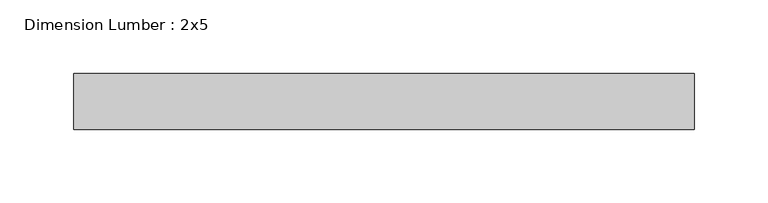
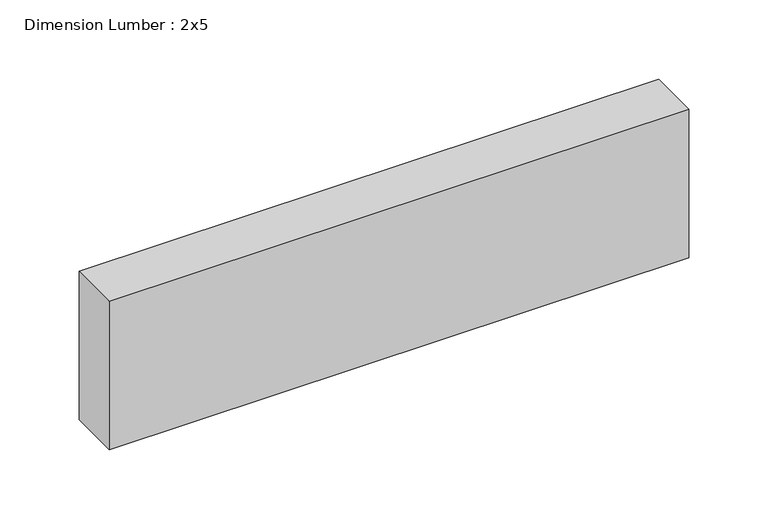
"""IFC4 building model written with IfcOpenShell, lengths in millimetres: beam geometry, Dimension Lumber : 2x5."""

from ifc_helpers import new_model, si_unit, frame, origin, place, context, project, spatial, polyline, outline, extrude, source, transform, mapped, element, save


def dimension_lumber_2x5_488dedfc(model_context):
    return source(origin(), model_context, "Body", "SweptSolid", [
        extrude(outline(polyline([(212.9088901, 19.05), (212.9088901, -19.05), (-208.9233899, -19.05), (-208.9233899, 19.05), (212.9088901, 19.05)])), frame((0.0, 0.0, -57.15), z_axis=(0.0, 0.0, 1.0), x_axis=(1.0, 0.0, 0.0)), (0.0, 0.0, 1.0), 114.3),
    ])


if __name__ == "__main__":
    model = new_model("IFC4")
    model_context = context("Model", 3, world=origin())
    ifc_project = project(units=[si_unit("LENGTHUNIT", "METRE", prefix="MILLI")], contexts=[model_context])
    site = spatial("IfcSite", under=ifc_project)
    building = spatial("IfcBuilding", under=site)
    placement = place(None, origin())
    dimension_lumber_2x5_shape = dimension_lumber_2x5_488dedfc(model_context)
    element("IfcBeam", 1, ObjectType="Dimension Lumber : 2x5", at=placement, inside=building, context=model_context, shape_type="MappedRepresentation", body=[
        mapped(dimension_lumber_2x5_shape, transform((0.0, 0.0, 0.0), x_axis=(1.0, 0.0, 0.0), y_axis=(0.0, 1.0, 0.0), z_axis=(0.0, 0.0, 1.0))),
    ])
    save(model, "model.ifc")
